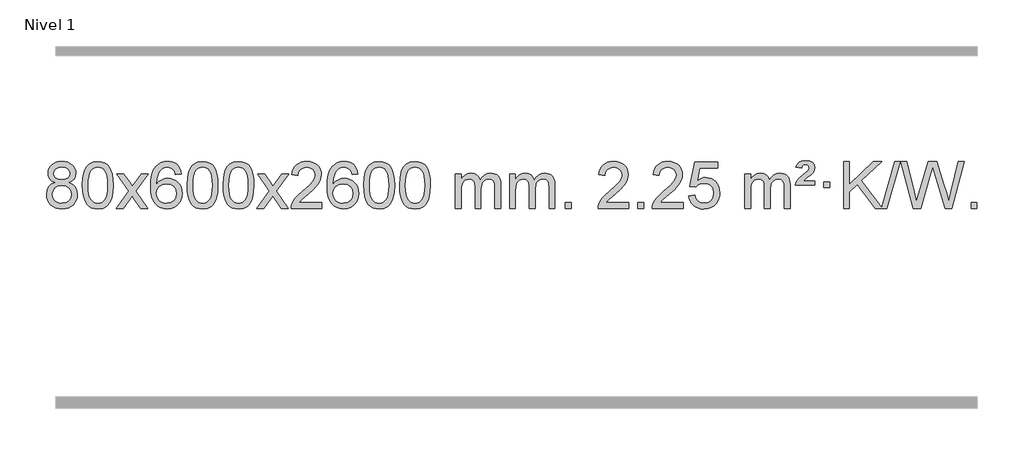
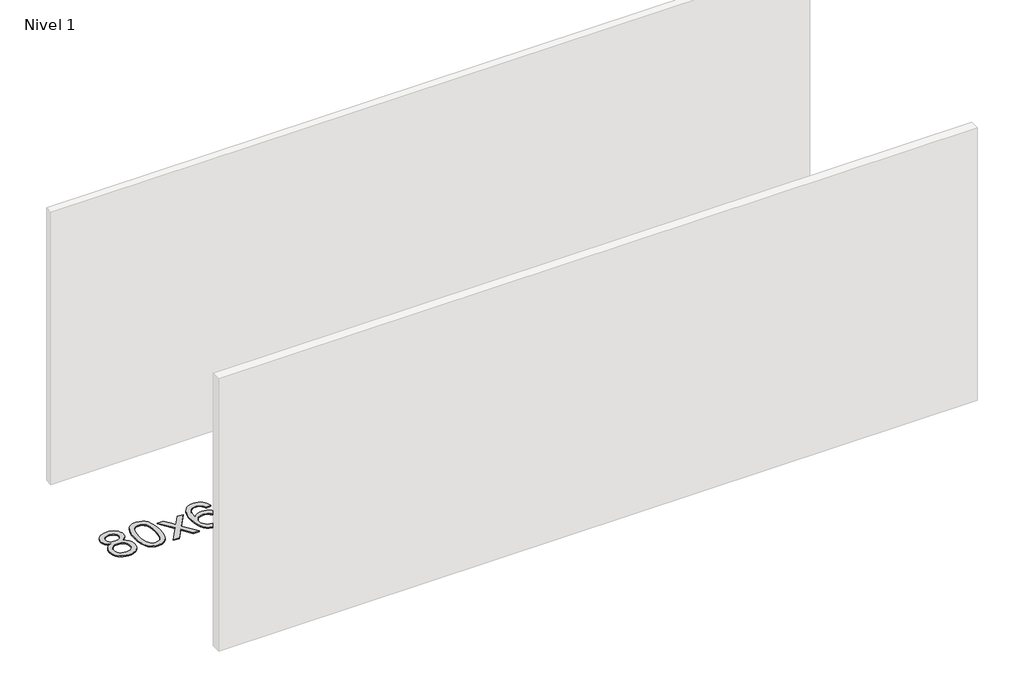
# One storey, part 8 of 12: 1 proxy.
"""IFC4 building model written with IfcOpenShell, lengths in millimetres."""

from ifc_helpers import new_model, si_unit, origin, origin_with_axes, place, context, project, spatial, polyline, outline, extrude, element, save

model = new_model("IFC4")

# Units and contexts
model_context = context("Model", 3, world=origin())
ifc_project = project(units=[si_unit("LENGTHUNIT", "METRE", prefix="MILLI")], contexts=[model_context])

# Site, building, storey
site = spatial("IfcSite", under=ifc_project)
building = spatial("IfcBuilding", under=site)
storey = spatial("IfcBuildingStorey", under=building, Name="Nivel 1", Elevation=0.0)

# Proxy
placement = place(None, origin())
element("IfcBuildingElementProxy", 1, Name="Texto de modelo 1", ObjectType="Texto de modelo 1", at=placement, inside=storey, context=model_context, shape_type="SweptSolid", body=[
    extrude(outline(polyline([(5163.1905562, -6174.2616447), (5136.2983823, -6161.0178929), (5117.426036, -6143.0652515), (5106.2792115, -6120.7716026), (5102.5636034, -6094.5048281), (5104.5869544, -6074.0199324), (5110.6570073, -6055.2395565), (5120.7737622, -6038.1637006), (5134.937219, -6022.7923645), (5152.466796, -6010.088173), (5172.6819117, -6001.0137504), (5195.5825659, -5995.5690969), (5221.1687586, -5993.7542124), (5246.8775787, -5995.6120165), (5269.9499112, -6001.1854287), (5290.385756, -6010.4744491), (5308.1851132, -6023.4790776), (5322.6060874, -6039.1508506), (5332.9067833, -6056.4413044), (5339.0872008, -6075.3504389), (5341.14734, -6095.8782543), (5337.4807828, -6121.2989001), (5326.4811111, -6143.2124043), (5308.0256977, -6161.0546811), (5281.9919152, -6174.2616447), (5312.9062655, -6190.1909351), (5335.4083809, -6213.6495436), (5349.1303793, -6243.5092989), (5353.7043788, -6278.6420295), (5351.4357731, -6303.6947933), (5344.6299562, -6326.6628926), (5333.286928, -6347.5463272), (5317.4066886, -6366.3450971), (5297.8231037, -6381.88198), (5275.3700393, -6392.9797536), (5250.0474953, -6399.6384177), (5221.8554717, -6401.8579724), (5193.6634481, -6399.6292206), (5168.3409041, -6392.9429654), (5145.8878397, -6381.7992066), (5126.3042548, -6366.1979443), (5110.4240154, -6347.26735), (5099.0809872, -6326.135595), (5092.2751703, -6302.8026795), (5090.0065646, -6277.2686033), (5094.7645051, -6240.7747094), (5109.0383265, -6210.7555386), (5132.0922649, -6188.2411605), (5163.1905562, -6174.2616447)]), holes=[polyline([(5152.7917585, -6095.9763561), (5157.2431306, -6117.902123), (5170.597247, -6135.413306), (5192.4617003, -6146.8912243), (5222.4440829, -6150.717197), (5251.7274897, -6146.9157497), (5273.2608492, -6135.5114079), (5286.504601, -6118.5888361), (5290.9191849, -6098.232699), (5286.3574482, -6077.1040098), (5272.672238, -6059.629615), (5250.8445729, -6047.8941794), (5221.8554717, -6043.9823675), (5192.6824295, -6047.8083402), (5170.8915526, -6059.2862585), (5157.316707, -6076.1107284), (5152.7917585, -6095.9763561)]), polyline([(5140.2347197, -6275.5027698), (5142.3316471, -6294.7184726), (5148.6224292, -6313.3210389), (5160.2352375, -6329.5446349), (5178.2982435, -6341.623427), (5199.9297048, -6349.1282197), (5222.2478792, -6351.6298173), (5256.4363792, -6346.3691048), (5270.3300559, -6339.7932141), (5282.090017, -6330.5869672), (5298.129672, -6306.6869002), (5303.4762237, -6277.0723996), (5297.9579938, -6246.9551269), (5281.403304, -6222.5277625), (5269.3245118, -6213.0854579), (5255.161055, -6206.3409547), (5220.5801474, -6200.9453521), (5186.869894, -6206.2673783), (5173.1325671, -6212.919911), (5161.4737736, -6222.2334569), (5145.5444832, -6246.1948375), (5140.2347197, -6275.5027698)])]), origin_with_axes(), (0.0, 0.0, 1.0), 10.0),
    extrude(outline(polyline([(5397.6540145, -6197.9041943), (5401.3450971, -6133.5861588), (5412.4183452, -6082.2911459), (5430.763394, -6043.2343407), (5442.621457, -6028.0009605), (5456.269879, -6015.6309284), (5471.7546453, -6006.0598651), (5489.1217412, -5999.2233914), (5529.5029215, -5993.7542124), (5560.4540601, -5996.991574), (5588.167837, -6006.7036586), (5611.3444027, -6022.5103217), (5628.6839074, -6044.0314184), (5641.7805065, -6071.0830078), (5652.2283551, -6103.4811488), (5659.0709602, -6144.6226186), (5661.3518286, -6197.9041943), (5657.6975341, -6261.8543477), (5646.7346507, -6313.0267333), (5628.4999664, -6352.1203266), (5616.6694946, -6367.3996922), (5603.0302696, -6379.8341036), (5587.5271092, -6389.4695462), (5570.1048311, -6396.3520052), (5529.5029215, -6401.8579724), (5501.8381955, -6399.4667394), (5477.3127291, -6392.2930405), (5455.9265225, -6380.3368757), (5437.6795755, -6363.5982449), (5420.1683926, -6333.3399508), (5407.6604047, -6295.6381776), (5400.155612, -6250.4929255), (5397.6540145, -6197.9041943)]), holes=[polyline([(5447.8821695, -6197.8060924), (5449.3536975, -6241.4706195), (5453.7682815, -6276.8148822), (5461.1259214, -6303.8388804), (5471.4266172, -6322.5426142), (5483.8855541, -6335.2682656), (5497.7179171, -6344.3580165), (5512.9237063, -6349.8118671), (5529.5029215, -6351.6298173), (5546.0821368, -6349.8057357), (5561.2879259, -6344.3334911), (5575.1202889, -6335.2130833), (5587.5792258, -6322.4445124), (5597.8799217, -6303.7101217), (5605.2375616, -6276.6922549), (5609.6521455, -6241.3909118), (5611.1236735, -6197.8060924), (5609.7011965, -6155.2973278), (5605.4337653, -6120.5753989), (5598.3213801, -6093.6403055), (5588.3640408, -6074.4920476), (5576.1135703, -6061.1440625), (5562.1217918, -6051.6097875), (5546.3887051, -6045.8892225), (5528.9143103, -6043.9823675), (5512.4209342, -6045.6623619), (5497.4726625, -6050.7023452), (5484.0694951, -6059.1023175), (5472.2114321, -6070.8622786), (5461.5673797, -6091.708925), (5453.9644852, -6119.8151094), (5449.4027484, -6155.1808319), (5447.8821695, -6197.8060924)])]), origin_with_axes(), (0.0, 0.0, 1.0), 10.0),
    extrude(outline(polyline([(5686.4659061, -6395.579453), (5793.7893469, -6247.2494325), (5692.7444255, -6100.4890419), (5753.1751746, -6100.4890419), (5801.9318017, -6171.122385), (5824.6914345, -6204.4770192), (5844.4099094, -6177.2047007), (5899.9355652, -6100.4890419), (5960.3663143, -6100.4890419), (5854.2200959, -6247.2494325), (5956.4422397, -6395.579453), (5896.0114906, -6395.579453), (5834.501621, -6306.4048574), (5823.2199065, -6290.1199477), (5746.8966552, -6395.579453), (5686.4659061, -6395.579453)])), origin_with_axes(), (0.0, 0.0, 1.0), 10.0),
    extrude(outline(polyline([(6245.2541313, -6100.4890419), (6195.0259763, -6106.7675613), (6186.9325724, -6081.874213), (6175.9942144, -6064.8780648), (6153.2100561, -6049.2062918), (6125.6679574, -6043.9823675), (6102.3197135, -6047.0235253), (6080.3448956, -6056.1469988), (6061.4725493, -6075.3627017), (6046.0582937, -6101.8134171), (6035.6472332, -6139.227016), (6031.7844723, -6191.3313693), (6051.9321429, -6167.8237098), (6076.0774645, -6151.2567573), (6102.8715365, -6141.434308), (6130.9654582, -6138.1601582), (6155.0985171, -6140.398107), (6177.3676405, -6147.1119534), (6197.7728285, -6158.3016975), (6216.3140811, -6173.9673391), (6231.7222053, -6193.1769106), (6242.7280083, -6214.9984443), (6249.3314901, -6239.4319401), (6251.5326507, -6266.4773982), (6247.3878469, -6302.4439945), (6234.9534355, -6335.786366), (6215.259486, -6364.0642287), (6189.3360681, -6384.8372987), (6158.3604041, -6397.602804), (6123.5097164, -6401.8579724), (6093.5671877, -6399.0375437), (6066.5247954, -6390.5762579), (6042.3825394, -6376.4741147), (6021.1404199, -6356.7311143), (6003.822375, -6330.5133908), (5991.4523429, -6296.9870783), (5984.0303236, -6256.1521768), (5981.5563172, -6208.0086864), (5984.3031694, -6154.0342663), (5992.5437261, -6107.9693092), (6006.2779873, -6069.8138149), (6025.5059529, -6039.5677835), (6046.3464679, -6019.5243462), (6070.5101836, -6005.2076052), (6097.9971, -5996.6175606), (6128.8072171, -5993.7542124), (6151.9408633, -5995.5261773), (6172.8794802, -6000.8420722), (6191.6230678, -6009.7018969), (6208.1716262, -6022.1056515), (6222.0775656, -6037.6364031), (6232.8932963, -6055.8772186), (6240.6188182, -6076.8280983), (6245.2541313, -6100.4890419)]), holes=[polyline([(6031.7844723, -6265.6925832), (6034.69074, -6287.9494439), (6043.4095433, -6309.2007605), (6056.9476007, -6327.472233), (6074.3116309, -6340.7895612), (6095.2686419, -6348.9197533), (6119.5856418, -6351.6298173), (6152.7318096, -6346.0134855), (6166.646946, -6338.9930708), (6178.7901175, -6329.1644901), (6188.640158, -6316.9262824), (6195.6759011, -6302.6769865), (6201.3044957, -6268.1451299), (6195.7494775, -6234.9989621), (6188.8057049, -6221.3781312), (6179.0844231, -6209.725469), (6166.9044634, -6200.3904634), (6152.5846568, -6193.7226022), (6117.5255026, -6188.3883133), (6084.4283858, -6193.7226022), (6056.751397, -6209.725469), (6045.8283674, -6221.2248471), (6038.0262035, -6234.3858254), (6033.3449051, -6249.2084042), (6031.7844723, -6265.6925832)])]), origin_with_axes(), (0.0, 0.0, 1.0), 10.0),
    extrude(outline(polyline([(6295.4822864, -6197.9041943), (6299.1733691, -6133.5861588), (6310.2466172, -6082.2911459), (6328.591666, -6043.2343407), (6340.449729, -6028.0009605), (6354.098151, -6015.6309284), (6369.5829173, -6006.0598651), (6386.9500131, -5999.2233914), (6427.3311935, -5993.7542124), (6458.282332, -5996.991574), (6485.996109, -6006.7036586), (6509.1726747, -6022.5103217), (6526.5121794, -6044.0314184), (6539.6087784, -6071.0830078), (6550.0566271, -6103.4811488), (6556.8992322, -6144.6226186), (6559.1801006, -6197.9041943), (6555.5258061, -6261.8543477), (6544.5629226, -6313.0267333), (6526.3282384, -6352.1203266), (6514.4977666, -6367.3996922), (6500.8585416, -6379.8341036), (6485.3553812, -6389.4695462), (6467.933103, -6396.3520052), (6427.3311935, -6401.8579724), (6399.6664674, -6399.4667394), (6375.1410011, -6392.2930405), (6353.7547945, -6380.3368757), (6335.5078475, -6363.5982449), (6317.9966645, -6333.3399508), (6305.4886767, -6295.6381776), (6297.983884, -6250.4929255), (6295.4822864, -6197.9041943)]), holes=[polyline([(6345.7104415, -6197.8060924), (6347.1819695, -6241.4706195), (6351.5965534, -6276.8148822), (6358.9541933, -6303.8388804), (6369.2548892, -6322.5426142), (6381.7138261, -6335.2682656), (6395.5461891, -6344.3580165), (6410.7519782, -6349.8118671), (6427.3311935, -6351.6298173), (6443.9104087, -6349.8057357), (6459.1161979, -6344.3334911), (6472.9485609, -6335.2130833), (6485.4074978, -6322.4445124), (6495.7081937, -6303.7101217), (6503.0658336, -6276.6922549), (6507.4804175, -6241.3909118), (6508.9519455, -6197.8060924), (6507.5294684, -6155.2973278), (6503.2620373, -6120.5753989), (6496.1496521, -6093.6403055), (6486.1923127, -6074.4920476), (6473.9418423, -6061.1440625), (6459.9500637, -6051.6097875), (6444.2169771, -6045.8892225), (6426.7425823, -6043.9823675), (6410.2492062, -6045.6623619), (6395.3009344, -6050.7023452), (6381.8977671, -6059.1023175), (6370.0397041, -6070.8622786), (6359.3956517, -6091.708925), (6351.7927571, -6119.8151094), (6347.2310204, -6155.1808319), (6345.7104415, -6197.8060924)])]), origin_with_axes(), (0.0, 0.0, 1.0), 10.0),
    extrude(outline(polyline([(6603.1297362, -6197.9041943), (6606.8208189, -6133.5861588), (6617.894067, -6082.2911459), (6636.2391158, -6043.2343407), (6648.0971788, -6028.0009605), (6661.7456008, -6015.6309284), (6677.2303671, -6006.0598651), (6694.597463, -5999.2233914), (6734.9786433, -5993.7542124), (6765.9297818, -5996.991574), (6793.6435588, -6006.7036586), (6816.8201245, -6022.5103217), (6834.1596292, -6044.0314184), (6847.2562282, -6071.0830078), (6857.7040769, -6103.4811488), (6864.546682, -6144.6226186), (6866.8275504, -6197.9041943), (6863.1732559, -6261.8543477), (6852.2103725, -6313.0267333), (6833.9756882, -6352.1203266), (6822.1452164, -6367.3996922), (6808.5059914, -6379.8341036), (6793.002831, -6389.4695462), (6775.5805529, -6396.3520052), (6734.9786433, -6401.8579724), (6707.3139173, -6399.4667394), (6682.7884509, -6392.2930405), (6661.4022443, -6380.3368757), (6643.1552973, -6363.5982449), (6625.6441144, -6333.3399508), (6613.1361265, -6295.6381776), (6605.6313338, -6250.4929255), (6603.1297362, -6197.9041943)]), holes=[polyline([(6653.3578913, -6197.8060924), (6654.8294193, -6241.4706195), (6659.2440032, -6276.8148822), (6666.6016432, -6303.8388804), (6676.902339, -6322.5426142), (6689.3612759, -6335.2682656), (6703.1936389, -6344.3580165), (6718.3994281, -6349.8118671), (6734.9786433, -6351.6298173), (6751.5578586, -6349.8057357), (6766.7636477, -6344.3334911), (6780.5960107, -6335.2130833), (6793.0549476, -6322.4445124), (6803.3556435, -6303.7101217), (6810.7132834, -6276.6922549), (6815.1278673, -6241.3909118), (6816.5993953, -6197.8060924), (6815.1769183, -6155.2973278), (6810.9094871, -6120.5753989), (6803.7971019, -6093.6403055), (6793.8397625, -6074.4920476), (6781.5892921, -6061.1440625), (6767.5975136, -6051.6097875), (6751.8644269, -6045.8892225), (6734.3900321, -6043.9823675), (6717.896656, -6045.6623619), (6702.9483843, -6050.7023452), (6689.5452169, -6059.1023175), (6677.6871539, -6070.8622786), (6667.0431015, -6091.708925), (6659.440207, -6119.8151094), (6654.8784702, -6155.1808319), (6653.3578913, -6197.8060924)])]), origin_with_axes(), (0.0, 0.0, 1.0), 10.0),
    extrude(outline(polyline([(6891.9416279, -6395.579453), (6999.2650687, -6247.2494325), (6898.2201473, -6100.4890419), (6958.6508964, -6100.4890419), (7007.4075235, -6171.122385), (7030.1671563, -6204.4770192), (7049.8856312, -6177.2047007), (7105.411287, -6100.4890419), (7165.8420361, -6100.4890419), (7059.6958177, -6247.2494325), (7161.9179615, -6395.579453), (7101.4872124, -6395.579453), (7039.9773428, -6306.4048574), (7028.6956283, -6290.1199477), (6952.372377, -6395.579453), (6891.9416279, -6395.579453)])), origin_with_axes(), (0.0, 0.0, 1.0), 10.0),
    extrude(outline(polyline([(7450.7298531, -6345.3512979), (7450.7298531, -6395.579453), (7187.032039, -6395.579453), (7188.135685, -6377.8965918), (7192.4276416, -6360.9494945), (7204.8130021, -6333.8856424), (7222.9373217, -6307.6311307), (7249.1550452, -6280.1503456), (7285.8206174, -6249.4076736), (7340.0218981, -6201.2641831), (7372.5426664, -6165.7267824), (7388.8030506, -6136.884834), (7394.2231787, -6108.8277005), (7389.1096189, -6083.6768347), (7373.7689397, -6062.7688747), (7350.1877039, -6048.6789943), (7320.352474, -6043.9823675), (7289.0211908, -6048.5686297), (7264.6796654, -6062.3274163), (7248.9711042, -6084.1796068), (7243.5387135, -6113.0460807), (7193.3105584, -6106.7675613), (7197.6301061, -6080.838012), (7205.4874524, -6058.1826125), (7216.8825972, -6038.8013627), (7231.8155405, -6022.6942627), (7249.9429259, -6010.0329907), (7270.9213966, -6000.989225), (7294.7509529, -5995.5629655), (7321.4315946, -5993.7542124), (7348.3513596, -5995.7653006), (7372.3096745, -6001.7985654), (7393.3065394, -6011.8540066), (7411.3419542, -6025.9316242), (7425.8273077, -6042.9890861), (7436.1739889, -6061.9840598), (7442.3819975, -6082.9165453), (7444.4513338, -6105.7865427), (7442.2195163, -6129.8092369), (7435.524064, -6153.4149983), (7423.6414756, -6177.4254299), (7405.8482497, -6202.6621347), (7377.4845479, -6232.7916701), (7333.8905315, -6271.4805933), (7276.1085328, -6319.795762), (7253.4470019, -6345.3512979), (7450.7298531, -6345.3512979)])), origin_with_axes(), (0.0, 0.0, 1.0), 10.0),
    extrude(outline(polyline([(7758.377303, -6100.4890419), (7708.1491479, -6106.7675613), (7700.055744, -6081.874213), (7689.117386, -6064.8780648), (7666.3332278, -6049.2062918), (7638.7911291, -6043.9823675), (7615.4428851, -6047.0235253), (7593.4680673, -6056.1469988), (7574.5957209, -6075.3627017), (7559.1814653, -6101.8134171), (7548.7704049, -6139.227016), (7544.9076439, -6191.3313693), (7565.0553145, -6167.8237098), (7589.2006361, -6151.2567573), (7615.9947081, -6141.434308), (7644.0886298, -6138.1601582), (7668.2216887, -6140.398107), (7690.4908121, -6147.1119534), (7710.8960001, -6158.3016975), (7729.4372527, -6173.9673391), (7744.8453769, -6193.1769106), (7755.8511799, -6214.9984443), (7762.4546617, -6239.4319401), (7764.6558224, -6266.4773982), (7760.5110185, -6302.4439945), (7748.0766071, -6335.786366), (7728.3826576, -6364.0642287), (7702.4592397, -6384.8372987), (7671.4835757, -6397.602804), (7636.632888, -6401.8579724), (7606.6903593, -6399.0375437), (7579.647967, -6390.5762579), (7555.505711, -6376.4741147), (7534.2635915, -6356.7311143), (7516.9455466, -6330.5133908), (7504.5755145, -6296.9870783), (7497.1534952, -6256.1521768), (7494.6794888, -6208.0086864), (7497.4263411, -6154.0342663), (7505.6668977, -6107.9693092), (7519.4011589, -6069.8138149), (7538.6291245, -6039.5677835), (7559.4696395, -6019.5243462), (7583.6333553, -6005.2076052), (7611.1202717, -5996.6175606), (7641.9303888, -5993.7542124), (7665.0640349, -5995.5261773), (7686.0026518, -6000.8420722), (7704.7462394, -6009.7018969), (7721.2947979, -6022.1056515), (7735.2007373, -6037.6364031), (7746.0164679, -6055.8772186), (7753.7419898, -6076.8280983), (7758.377303, -6100.4890419)]), holes=[polyline([(7544.9076439, -6265.6925832), (7547.8139117, -6287.9494439), (7556.5327149, -6309.2007605), (7570.0707724, -6327.472233), (7587.4348025, -6340.7895612), (7608.3918135, -6348.9197533), (7632.7088134, -6351.6298173), (7665.8549812, -6346.0134855), (7679.7701177, -6338.9930708), (7691.9132892, -6329.1644901), (7701.7633296, -6316.9262824), (7708.7990728, -6302.6769865), (7714.4276673, -6268.1451299), (7708.8726492, -6234.9989621), (7701.9288765, -6221.3781312), (7692.2075948, -6209.725469), (7680.027635, -6200.3904634), (7665.7078284, -6193.7226022), (7630.6486742, -6188.3883133), (7597.5515574, -6193.7226022), (7569.8745686, -6209.725469), (7558.9515391, -6221.2248471), (7551.1493751, -6234.3858254), (7546.4680767, -6249.2084042), (7544.9076439, -6265.6925832)])]), origin_with_axes(), (0.0, 0.0, 1.0), 10.0),
    extrude(outline(polyline([(7808.605458, -6197.9041943), (7812.2965407, -6133.5861588), (7823.3697888, -6082.2911459), (7841.7148376, -6043.2343407), (7853.5729006, -6028.0009605), (7867.2213226, -6015.6309284), (7882.7060889, -6006.0598651), (7900.0731848, -5999.2233914), (7940.4543651, -5993.7542124), (7971.4055036, -5996.991574), (7999.1192806, -6006.7036586), (8022.2958463, -6022.5103217), (8039.635351, -6044.0314184), (8052.73195, -6071.0830078), (8063.1797987, -6103.4811488), (8070.0224038, -6144.6226186), (8072.3032722, -6197.9041943), (8068.6489777, -6261.8543477), (8057.6860942, -6313.0267333), (8039.45141, -6352.1203266), (8027.6209382, -6367.3996922), (8013.9817132, -6379.8341036), (7998.4785528, -6389.4695462), (7981.0562747, -6396.3520052), (7940.4543651, -6401.8579724), (7912.7896391, -6399.4667394), (7888.2641727, -6392.2930405), (7866.8779661, -6380.3368757), (7848.6310191, -6363.5982449), (7831.1198361, -6333.3399508), (7818.6118483, -6295.6381776), (7811.1070556, -6250.4929255), (7808.605458, -6197.9041943)]), holes=[polyline([(7858.8336131, -6197.8060924), (7860.3051411, -6241.4706195), (7864.719725, -6276.8148822), (7872.0773649, -6303.8388804), (7882.3780608, -6322.5426142), (7894.8369977, -6335.2682656), (7908.6693607, -6344.3580165), (7923.8751499, -6349.8118671), (7940.4543651, -6351.6298173), (7957.0335804, -6349.8057357), (7972.2393695, -6344.3334911), (7986.0717325, -6335.2130833), (7998.5306694, -6322.4445124), (8008.8313653, -6303.7101217), (8016.1890052, -6276.6922549), (8020.6035891, -6241.3909118), (8022.0751171, -6197.8060924), (8020.6526401, -6155.2973278), (8016.3852089, -6120.5753989), (8009.2728237, -6093.6403055), (7999.3154843, -6074.4920476), (7987.0650139, -6061.1440625), (7973.0732354, -6051.6097875), (7957.3401487, -6045.8892225), (7939.8657539, -6043.9823675), (7923.3723778, -6045.6623619), (7908.4241061, -6050.7023452), (7895.0209387, -6059.1023175), (7883.1628757, -6070.8622786), (7872.5188233, -6091.708925), (7864.9159288, -6119.8151094), (7860.354192, -6155.1808319), (7858.8336131, -6197.8060924)])]), origin_with_axes(), (0.0, 0.0, 1.0), 10.0),
    extrude(outline(polyline([(8116.2529079, -6197.9041943), (8119.9439906, -6133.5861588), (8131.0172386, -6082.2911459), (8149.3622874, -6043.2343407), (8161.2203504, -6028.0009605), (8174.8687724, -6015.6309284), (8190.3535388, -6006.0598651), (8207.7206346, -5999.2233914), (8248.1018149, -5993.7542124), (8279.0529535, -5996.991574), (8306.7667304, -6006.7036586), (8329.9432961, -6022.5103217), (8347.2828008, -6044.0314184), (8360.3793999, -6071.0830078), (8370.8272485, -6103.4811488), (8377.6698537, -6144.6226186), (8379.950722, -6197.9041943), (8376.2964275, -6261.8543477), (8365.3335441, -6313.0267333), (8347.0988599, -6352.1203266), (8335.268388, -6367.3996922), (8321.6291631, -6379.8341036), (8306.1260026, -6389.4695462), (8288.7037245, -6396.3520052), (8248.1018149, -6401.8579724), (8220.4370889, -6399.4667394), (8195.9116226, -6392.2930405), (8174.5254159, -6380.3368757), (8156.278469, -6363.5982449), (8138.767286, -6333.3399508), (8126.2592981, -6295.6381776), (8118.7545054, -6250.4929255), (8116.2529079, -6197.9041943)]), holes=[polyline([(8166.481063, -6197.8060924), (8167.9525909, -6241.4706195), (8172.3671749, -6276.8148822), (8179.7248148, -6303.8388804), (8190.0255106, -6322.5426142), (8202.4844475, -6335.2682656), (8216.3168106, -6344.3580165), (8231.5225997, -6349.8118671), (8248.1018149, -6351.6298173), (8264.6810302, -6349.8057357), (8279.8868193, -6344.3334911), (8293.7191824, -6335.2130833), (8306.1781193, -6322.4445124), (8316.4788151, -6303.7101217), (8323.836455, -6276.6922549), (8328.251039, -6241.3909118), (8329.7225669, -6197.8060924), (8328.3000899, -6155.2973278), (8324.0326588, -6120.5753989), (8316.9202735, -6093.6403055), (8306.9629342, -6074.4920476), (8294.7124637, -6061.1440625), (8280.7206852, -6051.6097875), (8264.9875985, -6045.8892225), (8247.5132038, -6043.9823675), (8231.0198276, -6045.6623619), (8216.0715559, -6050.7023452), (8202.6683885, -6059.1023175), (8190.8103256, -6070.8622786), (8180.1662732, -6091.708925), (8172.5633786, -6119.8151094), (8168.0016419, -6155.1808319), (8166.481063, -6197.8060924)])]), origin_with_axes(), (0.0, 0.0, 1.0), 10.0),
    extrude(outline(polyline([(8593.4203811, -6395.579453), (8593.4203811, -6100.4890419), (8643.6485362, -6100.4890419), (8643.6485362, -6149.0494653), (8658.7562234, -6126.7435537), (8678.1803928, -6109.2691589), (8701.2588566, -6097.9751816), (8727.3294273, -6094.2105225), (8755.2639335, -6098.048758), (8777.6556843, -6109.5634645), (8794.3820523, -6127.9943524), (8805.3204103, -6152.5811324), (8823.6286709, -6127.0439906), (8844.5121055, -6108.803175), (8867.9707141, -6097.8586857), (8894.0044966, -6094.2105225), (8914.1123133, -6095.7280358), (8931.7614521, -6100.2805755), (8946.9519128, -6107.8681416), (8959.6836955, -6118.4907342), (8969.7483337, -6132.2709806), (8976.9373611, -6149.3315082), (8981.2507775, -6169.6723168), (8982.6885829, -6193.2934066), (8982.6885829, -6395.579453), (8932.4604278, -6395.579453), (8932.4604278, -6214.875817), (8931.2954682, -6189.8230531), (8927.8005892, -6172.9372695), (8921.2522897, -6161.3735121), (8910.9270684, -6152.2868268), (8897.6465284, -6146.4007149), (8882.2322728, -6144.4386776), (8855.0212679, -6149.4663982), (8832.8379835, -6164.54956), (8824.2326105, -6176.1194488), (8818.0859155, -6190.7182326), (8813.1685595, -6229.0024856), (8813.1685595, -6395.579453), (8762.9404045, -6395.579453), (8762.9404045, -6209.2840106), (8760.0341367, -6180.8835206), (8751.3153334, -6160.6254854), (8735.9746542, -6148.4853796), (8713.2027587, -6144.4386776), (8693.8521658, -6147.1364789), (8676.0221517, -6155.2298828), (8661.3068719, -6168.5226856), (8651.3004817, -6186.8186835), (8645.5615225, -6212.2025411), (8643.6485362, -6246.7589232), (8643.6485362, -6395.579453), (8593.4203811, -6395.579453)])), origin_with_axes(), (0.0, 0.0, 1.0), 10.0),
    extrude(outline(polyline([(9058.0308155, -6395.579453), (9058.0308155, -6100.4890419), (9108.2589706, -6100.4890419), (9108.2589706, -6149.0494653), (9123.3666579, -6126.7435537), (9142.7908272, -6109.2691589), (9165.869291, -6097.9751816), (9191.9398618, -6094.2105225), (9219.8743679, -6098.048758), (9242.2661187, -6109.5634645), (9258.9924868, -6127.9943524), (9269.9308448, -6152.5811324), (9288.2391054, -6127.0439906), (9309.12254, -6108.803175), (9332.5811485, -6097.8586857), (9358.6149311, -6094.2105225), (9378.7227478, -6095.7280358), (9396.3718865, -6100.2805755), (9411.5623472, -6107.8681416), (9424.2941299, -6118.4907342), (9434.3587682, -6132.2709806), (9441.5477955, -6149.3315082), (9445.8612119, -6169.6723168), (9447.2990174, -6193.2934066), (9447.2990174, -6395.579453), (9397.0708623, -6395.579453), (9397.0708623, -6214.875817), (9395.9059026, -6189.8230531), (9392.4110237, -6172.9372695), (9385.8627242, -6161.3735121), (9375.5375028, -6152.2868268), (9362.2569628, -6146.4007149), (9346.8427072, -6144.4386776), (9319.6317023, -6149.4663982), (9297.448418, -6164.54956), (9288.843045, -6176.1194488), (9282.69635, -6190.7182326), (9277.778994, -6229.0024856), (9277.778994, -6395.579453), (9227.5508389, -6395.579453), (9227.5508389, -6209.2840106), (9224.6445711, -6180.8835206), (9215.9257679, -6160.6254854), (9200.5850887, -6148.4853796), (9177.8131932, -6144.4386776), (9158.4626002, -6147.1364789), (9140.6325862, -6155.2298828), (9125.9173064, -6168.5226856), (9115.9109161, -6186.8186835), (9110.171957, -6212.2025411), (9108.2589706, -6246.7589232), (9108.2589706, -6395.579453), (9058.0308155, -6395.579453)])), origin_with_axes(), (0.0, 0.0, 1.0), 10.0),
    extrude(outline(polyline([(9535.1982887, -6395.579453), (9535.1982887, -6345.3512979), (9585.4264438, -6345.3512979), (9585.4264438, -6395.579453), (9535.1982887, -6395.579453)])), origin_with_axes(), (0.0, 0.0, 1.0), 10.0),
    extrude(outline(polyline([(10081.4294752, -6345.3512979), (10081.4294752, -6395.579453), (9817.731661, -6395.579453), (9818.835307, -6377.8965918), (9823.1272636, -6360.9494945), (9835.5126241, -6333.8856424), (9853.6369438, -6307.6311307), (9879.8546673, -6280.1503456), (9916.5202395, -6249.4076736), (9970.7215201, -6201.2641831), (10003.2422885, -6165.7267824), (10019.5026727, -6136.884834), (10024.9228007, -6108.8277005), (10019.809241, -6083.6768347), (10004.4685618, -6062.7688747), (9980.8873259, -6048.6789943), (9951.0520961, -6043.9823675), (9919.7208128, -6048.5686297), (9895.3792875, -6062.3274163), (9879.6707263, -6084.1796068), (9874.2383355, -6113.0460807), (9824.0101804, -6106.7675613), (9828.3297282, -6080.838012), (9836.1870745, -6058.1826125), (9847.5822193, -6038.8013627), (9862.5151626, -6022.6942627), (9880.6425479, -6010.0329907), (9901.6210187, -6000.989225), (9925.4505749, -5995.5629655), (9952.1312166, -5993.7542124), (9979.0509816, -5995.7653006), (10003.0092965, -6001.7985654), (10024.0061614, -6011.8540066), (10042.0415762, -6025.9316242), (10056.5269298, -6042.9890861), (10066.8736109, -6061.9840598), (10073.0816196, -6082.9165453), (10075.1509558, -6105.7865427), (10072.9191384, -6129.8092369), (10066.223686, -6153.4149983), (10054.3410976, -6177.4254299), (10036.5478718, -6202.6621347), (10008.1841699, -6232.7916701), (9964.5901535, -6271.4805933), (9906.8081548, -6319.795762), (9884.1466239, -6345.3512979), (10081.4294752, -6345.3512979)])), origin_with_axes(), (0.0, 0.0, 1.0), 10.0),
    extrude(outline(polyline([(10156.7717078, -6395.579453), (10156.7717078, -6345.3512979), (10206.9998629, -6345.3512979), (10206.9998629, -6395.579453), (10156.7717078, -6395.579453)])), origin_with_axes(), (0.0, 0.0, 1.0), 10.0),
    extrude(outline(polyline([(10546.0399096, -6345.3512979), (10546.0399096, -6395.579453), (10282.3420955, -6395.579453), (10283.4457415, -6377.8965918), (10287.7376981, -6360.9494945), (10300.1230586, -6333.8856424), (10318.2473782, -6307.6311307), (10344.4651017, -6280.1503456), (10381.1306739, -6249.4076736), (10435.3319545, -6201.2641831), (10467.8527229, -6165.7267824), (10484.1131071, -6136.884834), (10489.5332352, -6108.8277005), (10484.4196754, -6083.6768347), (10469.0789962, -6062.7688747), (10445.4977603, -6048.6789943), (10415.6625305, -6043.9823675), (10384.3312473, -6048.5686297), (10359.9897219, -6062.3274163), (10344.2811607, -6084.1796068), (10338.8487699, -6113.0460807), (10288.6206149, -6106.7675613), (10292.9401626, -6080.838012), (10300.7975089, -6058.1826125), (10312.1926537, -6038.8013627), (10327.125597, -6022.6942627), (10345.2529823, -6010.0329907), (10366.2314531, -6000.989225), (10390.0610093, -5995.5629655), (10416.741651, -5993.7542124), (10443.661416, -5995.7653006), (10467.619731, -6001.7985654), (10488.6165959, -6011.8540066), (10506.6520107, -6025.9316242), (10521.1373642, -6042.9890861), (10531.4840453, -6061.9840598), (10537.692054, -6082.9165453), (10539.7613902, -6105.7865427), (10537.5295728, -6129.8092369), (10530.8341205, -6153.4149983), (10518.951532, -6177.4254299), (10501.1583062, -6202.6621347), (10472.7946044, -6232.7916701), (10429.200588, -6271.4805933), (10371.4185892, -6319.795762), (10348.7570583, -6345.3512979), (10546.0399096, -6345.3512979)])), origin_with_axes(), (0.0, 0.0, 1.0), 10.0),
    extrude(outline(polyline([(10596.2680647, -6288.8446235), (10646.4962198, -6282.5661041), (10655.7177951, -6312.7201649), (10671.806501, -6334.3148381), (10694.6887611, -6347.3010725), (10724.290999, -6351.6298173), (10743.4208628, -6350.1245668), (10760.2943836, -6345.6088153), (10774.9115616, -6338.0825628), (10787.2723966, -6327.5458094), (10797.1009772, -6314.519721), (10804.121392, -6299.5254641), (10809.7377238, -6263.6324441), (10804.4770112, -6229.8363514), (10797.9011206, -6215.9181493), (10788.6948736, -6203.9865099), (10776.8276136, -6194.4154467), (10762.2686837, -6187.5789729), (10725.0758139, -6182.1097939), (10700.7097631, -6184.2925604), (10680.9790255, -6190.8408599), (10665.2214133, -6200.8717757), (10652.7747392, -6213.5023908), (10602.5465841, -6207.2238715), (10646.4962198, -6000.0327318), (10841.1303207, -6000.0327318), (10841.1303207, -6050.2608869), (10687.110392, -6050.2608869), (10665.6260835, -6160.919791), (10683.3518643, -6148.2155994), (10701.5068408, -6139.1411769), (10720.0910129, -6133.6965234), (10739.1043807, -6131.8816388), (10763.5654677, -6134.1318504), (10786.0338605, -6140.882485), (10806.5095593, -6152.1335427), (10824.9925638, -6167.8850234), (10840.2933891, -6187.1743027), (10851.2225501, -6209.038756), (10857.7800467, -6233.4783832), (10859.9658788, -6260.4931844), (10857.9977102, -6286.5147042), (10852.0932041, -6310.7213394), (10842.2523608, -6333.1130902), (10828.4751801, -6353.6899565), (10807.6040082, -6374.7634634), (10783.2502201, -6389.8159684), (10755.4138158, -6398.8474714), (10724.0947953, -6401.8579724), (10698.174443, -6399.9235262), (10674.7618197, -6394.1201877), (10653.8569254, -6384.447957), (10635.4597599, -6370.9068338), (10620.1528032, -6354.1712688), (10608.5185351, -6334.915712), (10600.5569556, -6313.1401636), (10596.2680647, -6288.8446235)])), origin_with_axes(), (0.0, 0.0, 1.0), 10.0),
    extrude(outline(polyline([(11073.4355379, -6395.579453), (11073.4355379, -6100.4890419), (11123.663693, -6100.4890419), (11123.663693, -6149.0494653), (11138.7713803, -6126.7435537), (11158.1955496, -6109.2691589), (11181.2740134, -6097.9751816), (11207.3445842, -6094.2105225), (11235.2790903, -6098.048758), (11257.6708411, -6109.5634645), (11274.3972091, -6127.9943524), (11285.3355671, -6152.5811324), (11303.6438278, -6127.0439906), (11324.5272623, -6108.803175), (11347.9858709, -6097.8586857), (11374.0196534, -6094.2105225), (11394.1274702, -6095.7280358), (11411.7766089, -6100.2805755), (11426.9670696, -6107.8681416), (11439.6988523, -6118.4907342), (11449.7634906, -6132.2709806), (11456.9525179, -6149.3315082), (11461.2659343, -6169.6723168), (11462.7037397, -6193.2934066), (11462.7037397, -6395.579453), (11412.4755847, -6395.579453), (11412.4755847, -6214.875817), (11411.310625, -6189.8230531), (11407.8157461, -6172.9372695), (11401.2674465, -6161.3735121), (11390.9422252, -6152.2868268), (11377.6616852, -6146.4007149), (11362.2474296, -6144.4386776), (11335.0364247, -6149.4663982), (11312.8531404, -6164.54956), (11304.2477674, -6176.1194488), (11298.1010724, -6190.7182326), (11293.1837164, -6229.0024856), (11293.1837164, -6395.579453), (11242.9555613, -6395.579453), (11242.9555613, -6209.2840106), (11240.0492935, -6180.8835206), (11231.3304902, -6160.6254854), (11215.989811, -6148.4853796), (11193.2179155, -6144.4386776), (11173.8673226, -6147.1364789), (11156.0373086, -6155.2298828), (11141.3220287, -6168.5226856), (11131.3156385, -6186.8186835), (11125.5766794, -6212.2025411), (11123.663693, -6246.7589232), (11123.663693, -6395.579453), (11073.4355379, -6395.579453)])), origin_with_axes(), (0.0, 0.0, 1.0), 10.0),
    extrude(outline(polyline([(11506.6533754, -6194.6668327), (11510.4793482, -6178.8479069), (11518.8180067, -6162.9799302), (11540.3268407, -6137.8413272), (11572.2835234, -6110.1030247), (11616.4293628, -6072.726214), (11623.5662735, -6061.1992448), (11625.9452437, -6049.3779701), (11624.0567828, -6037.2869152), (11618.3914001, -6027.5012541), (11609.022672, -6021.026531), (11596.0241748, -6018.8682899), (11583.5897634, -6020.4869707), (11574.73607, -6025.343013), (11568.3103978, -6034.8098431), (11563.1600499, -6050.2608869), (11512.9318948, -6043.9823675), (11523.7721509, -6018.7701881), (11540.4004171, -6001.2099542), (11564.165594, -5990.9092583), (11596.4165822, -5987.475693), (11632.1992376, -5991.6082341), (11656.9454332, -6004.0058573), (11671.3664074, -6022.3386434), (11676.1733988, -6044.2766731), (11672.0776459, -6067.1834586), (11659.7903873, -6088.8149199), (11639.262572, -6108.6314968), (11602.7932035, -6136.6886303), (11577.1886166, -6163.2742358), (11676.1733988, -6163.2742358), (11676.1733988, -6194.6668327), (11506.6533754, -6194.6668327)])), origin_with_axes(), (0.0, 0.0, 1.0), 10.0),
    extrude(outline(polyline([(11751.5156314, -6219.7809102), (11751.5156314, -6169.5527552), (11801.7437865, -6169.5527552), (11801.7437865, -6219.7809102), (11751.5156314, -6219.7809102)])), origin_with_axes(), (0.0, 0.0, 1.0), 10.0),
    extrude(outline(polyline([(12192.3854144, -6395.579453), (12038.954097, -6192.9009991), (11971.2638099, -6257.4520265), (11971.2638099, -6395.579453), (11921.0356548, -6395.579453), (11921.0356548, -5993.7542124), (11971.2638099, -5993.7542124), (11971.2638099, -6190.4484525), (12177.2777272, -5993.7542124), (12247.5186628, -5993.7542124), (12074.5650741, -6158.9577537), (12249.218684, -6389.5349332), (12360.5320117, -5993.7542124), (12405.8550735, -5993.7542124), (12292.8417246, -6395.579453), (12253.7971822, -6395.579453), (12247.5186628, -6395.579453), (12192.3854144, -6395.579453)])), origin_with_axes(), (0.0, 0.0, 1.0), 10.0),
    extrude(outline(polyline([(12520.3399504, -6395.579453), (12410.7601668, -5993.7542124), (12462.5579517, -5993.7542124), (12526.1279605, -6257.844434), (12545.7483335, -6339.3670841), (12566.7421327, -6267.2622131), (12646.4008474, -5993.7542124), (12721.056367, -5993.7542124), (12778.9364675, -6192.0180823), (12803.731714, -6265.5944814), (12822.0031864, -6339.3670841), (12841.0349483, -6260.1988788), (12905.1935683, -5993.7542124), (12956.9913532, -5993.7542124), (12847.3134677, -6395.579453), (12793.6517474, -6395.579453), (12697.3157155, -6085.5775584), (12683.87576, -6042.3146358), (12668.7680727, -6094.4067263), (12580.9669032, -6395.579453), (12520.3399504, -6395.579453)])), origin_with_axes(), (0.0, 0.0, 1.0), 10.0),
    extrude(outline(polyline([(13013.4980277, -6395.579453), (13013.4980277, -6345.3512979), (13063.7261827, -6345.3512979), (13063.7261827, -6395.579453), (13013.4980277, -6395.579453)])), origin_with_axes(), (0.0, 0.0, 1.0), 10.0),
])

save(model, "model.ifc")
